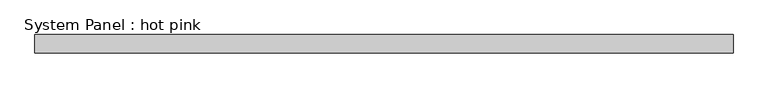
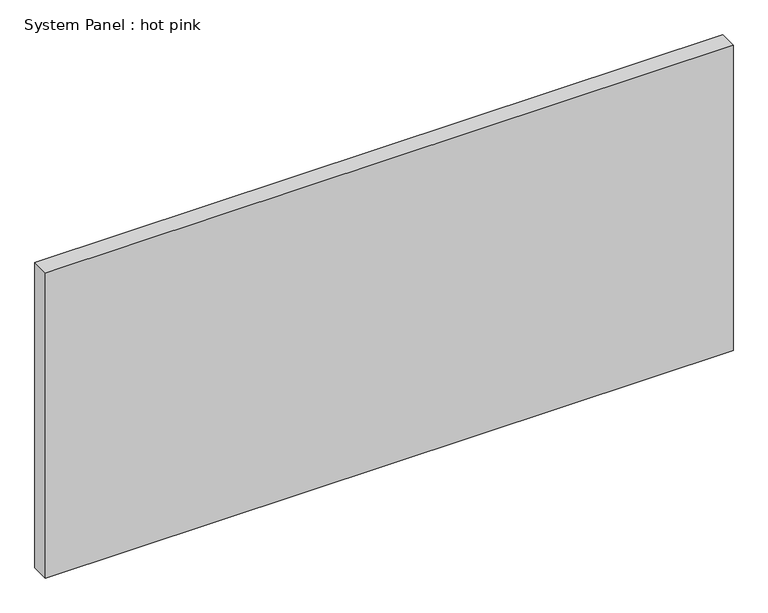
"""IFC4 building model written with IfcOpenShell, lengths in millimetres: plate geometry, System Panel : hot pink."""

from ifc_helpers import new_model, si_unit, origin, origin_with_axes, place, context, project, spatial, polyline, outline, extrude, source, transform, mapped, element, save


def system_panel_hot_pink_41c402e4(model_context):
    return source(origin(), model_context, "Body", "SweptSolid", [
        extrude(outline(polyline([(1196.6516214, -19.05), (-1196.6516214, -19.05), (-1196.6516214, 44.45), (1196.6516214, 44.45), (1196.6516214, -19.05)])), origin_with_axes(), (0.0, 0.0, 1.0), 1123.95),
    ])


if __name__ == "__main__":
    model = new_model("IFC4")
    model_context = context("Model", 3, world=origin())
    ifc_project = project(units=[si_unit("LENGTHUNIT", "METRE", prefix="MILLI")], contexts=[model_context])
    site = spatial("IfcSite", under=ifc_project)
    building = spatial("IfcBuilding", under=site)
    placement = place(None, origin())
    system_panel_hot_pink_shape = system_panel_hot_pink_41c402e4(model_context)
    element("IfcPlate", 1, ObjectType="System Panel : hot pink", at=placement, inside=building, context=model_context, shape_type="MappedRepresentation", body=[
        mapped(system_panel_hot_pink_shape, transform((0.0, 0.0, 0.0), x_axis=(1.0, 0.0, 0.0), y_axis=(0.0, 1.0, 0.0), z_axis=(0.0, 0.0, 1.0))),
    ])
    save(model, "model.ifc")
